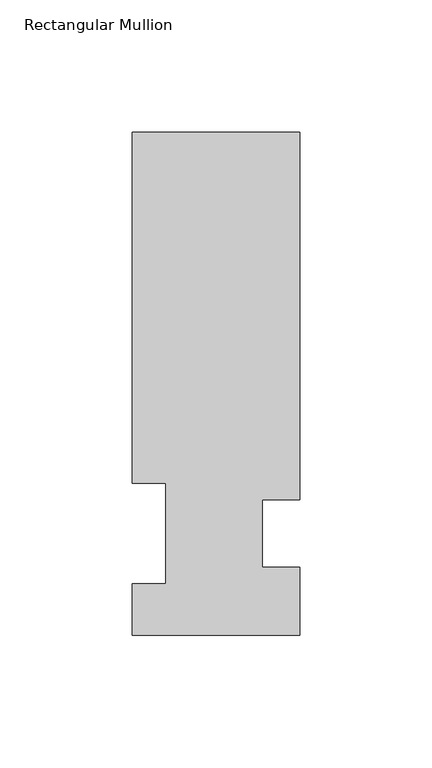
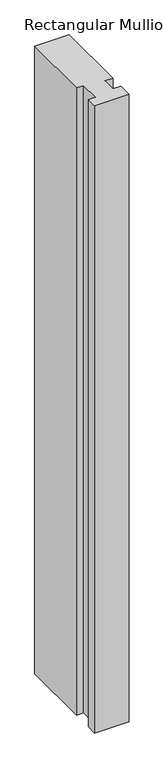
"""IFC4 building model written with IfcOpenShell, lengths in millimetres: member geometry, Rectangular Mullion."""

from ifc_helpers import new_model, si_unit, frame, origin, place, context, project, spatial, polyline, outline, extrude, source, transform, mapped, element, save


def rectangular_mullion_a6749153(model_context):
    return source(origin(), model_context, "Body", "SweptSolid", [
        extrude(outline(polyline([(-31.7500006, 190.5896937), (31.75, 190.5896937), (31.75, 51.2960937), (17.4625, 51.2960937), (17.4625, 25.8960937), (31.75, 25.8960937), (31.75, 0.0134937), (-31.75, 0.0134937), (-31.75, 19.5460937), (-19.05, 19.5460937), (-19.05, 57.6460937), (-31.7500006, 57.6460937), (-31.7500006, 190.5896937)])), frame((0.0, 0.0, -1219.2), z_axis=(0.0, 0.0, 1.0), x_axis=(1.0, 0.0, 0.0)), (0.0, 0.0, 1.0), 1219.2),
    ])


if __name__ == "__main__":
    model = new_model("IFC4")
    model_context = context("Model", 3, world=origin())
    ifc_project = project(units=[si_unit("LENGTHUNIT", "METRE", prefix="MILLI")], contexts=[model_context])
    site = spatial("IfcSite", under=ifc_project)
    building = spatial("IfcBuilding", under=site)
    placement = place(None, origin())
    rectangular_mullion_shape = rectangular_mullion_a6749153(model_context)
    element("IfcMember", 1, ObjectType="Rectangular Mullion", at=placement, inside=building, context=model_context, shape_type="MappedRepresentation", body=[
        mapped(rectangular_mullion_shape, transform((0.0, 0.0, 0.0), x_axis=(1.0, 0.0, 0.0), y_axis=(0.0, 1.0, 0.0), z_axis=(0.0, 0.0, 1.0))),
    ])
    save(model, "model.ifc")
